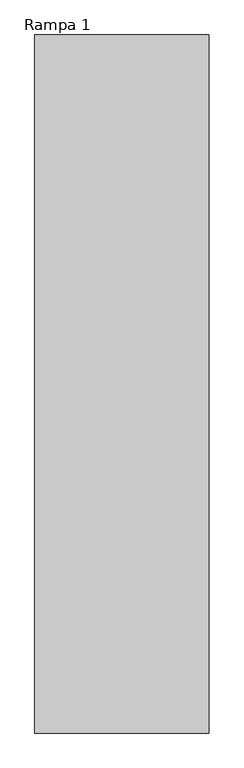
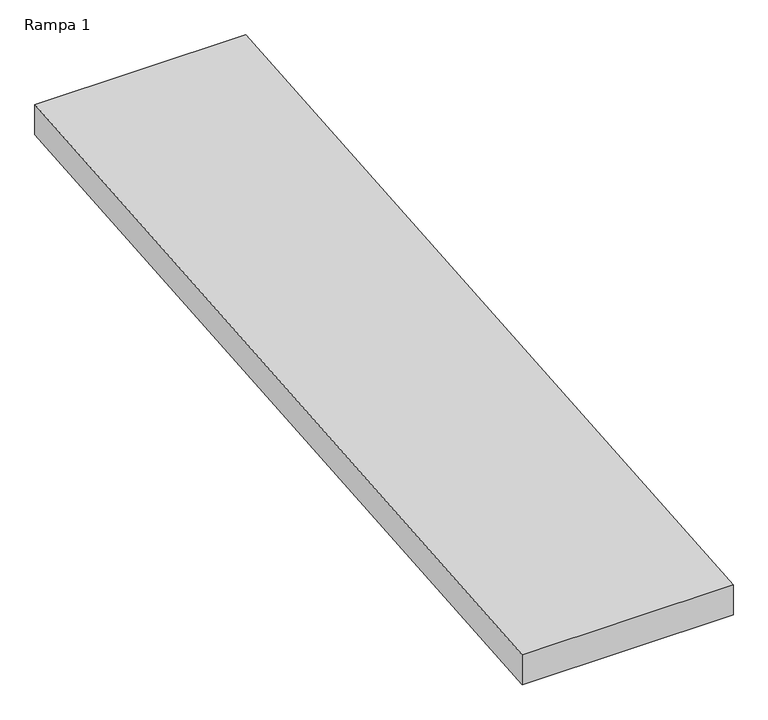
"""IFC4 building model written with IfcOpenShell, lengths in millimetres: ramp geometry, Rampa 1."""

from ifc_helpers import new_model, si_unit, frame, origin, place, context, project, spatial, polyline, outline, extrude, source, transform, mapped, element, save


def rampa_1_5b777c78(model_context):
    return source(origin(), model_context, "Body", "SweptSolid", [
        extrude(outline(polyline([(6822.50302, -1170.0), (10822.50302, -836.6666667), (10822.50302, -987.1865989), (6822.50302, -1320.5199322), (6822.50302, -1170.0)])), frame((-25420.9711961, 0.0, 0.0), z_axis=(1.0, 0.0, 0.0), x_axis=(0.0, 1.0, 0.0)), (0.0, 0.0, 1.0), 1000.0),
    ])


if __name__ == "__main__":
    model = new_model("IFC4")
    model_context = context("Model", 3, world=origin())
    ifc_project = project(units=[si_unit("LENGTHUNIT", "METRE", prefix="MILLI")], contexts=[model_context])
    site = spatial("IfcSite", under=ifc_project)
    building = spatial("IfcBuilding", under=site)
    placement = place(None, origin())
    rampa_1_shape = rampa_1_5b777c78(model_context)
    element("IfcRamp", 1, ObjectType="Rampa 1", at=placement, inside=building, context=model_context, shape_type="MappedRepresentation", body=[
        mapped(rampa_1_shape, transform((0.0, 0.0, 0.0), x_axis=(1.0, 0.0, 0.0), y_axis=(0.0, 1.0, 0.0), z_axis=(0.0, 0.0, 1.0))),
    ])
    save(model, "model.ifc")
